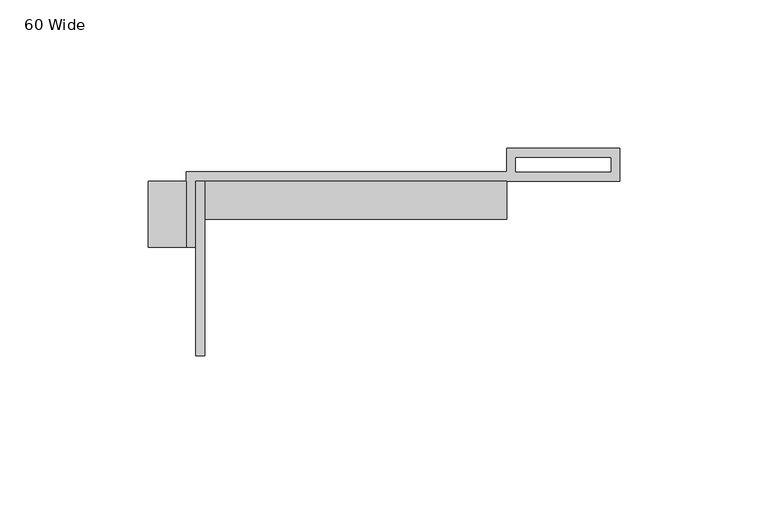
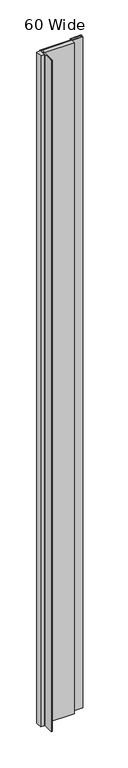
"""IFC4 building model written with IfcOpenShell, lengths in millimetres: proxy geometry, 60 Wide."""

from ifc_helpers import new_model, si_unit, origin, origin_with_axes, place, context, project, spatial, polyline, outline, extrude, source, transform, mapped, element, save


def proxy_60_wide_7559df17(model_context):
    return source(origin(), model_context, "Body", "SweptSolid", [
        extrude(outline(polyline([(-101.6, 0.0), (-101.6, -58.8097735), (-104.775, -58.8097735), (-104.775, 0.0), (-101.6, 0.0)])), origin_with_axes(), (0.0, 0.0, 1.0), 2438.4),
        extrude(outline(polyline([(-107.95, 0.0), (-107.95, -22.225), (-120.65, -22.225), (-120.65, 0.0), (-107.95, 0.0)])), origin_with_axes(), (0.0, 0.0, 1.0), 2438.4),
        extrude(outline(polyline([(0.0, 0.0), (0.0, -12.7), (-104.775, -12.7), (-104.775, 0.0), (0.0, 0.0)])), origin_with_axes(), (0.0, 0.0, 1.0), 2438.4),
        extrude(outline(polyline([(-107.95, -22.225), (-107.95, 3.175), (0.0, 3.175), (0.0, 11.1125), (38.1, 11.1125), (38.1, 0.0), (-104.775, 0.0), (-104.775, -22.225), (-107.95, -22.225)]), holes=[polyline([(3.175, 3.175), (35.1499571, 3.175), (35.1499571, 7.9375), (3.175, 7.9375), (3.175, 3.175)])]), origin_with_axes(), (0.0, 0.0, 1.0), 2438.4),
    ])


if __name__ == "__main__":
    model = new_model("IFC4")
    model_context = context("Model", 3, world=origin())
    ifc_project = project(units=[si_unit("LENGTHUNIT", "METRE", prefix="MILLI")], contexts=[model_context])
    site = spatial("IfcSite", under=ifc_project)
    building = spatial("IfcBuilding", under=site)
    placement = place(None, origin())
    proxy_60_wide_shape = proxy_60_wide_7559df17(model_context)
    element("IfcBuildingElementProxy", 1, Name="60 Wide", ObjectType="60 Wide", at=placement, inside=building, context=model_context, shape_type="MappedRepresentation", body=[
        mapped(proxy_60_wide_shape, transform((0.0, 0.0, 0.0), x_axis=(1.0, 0.0, 0.0), y_axis=(0.0, 1.0, 0.0), z_axis=(0.0, 0.0, 1.0))),
    ])
    save(model, "model.ifc")
